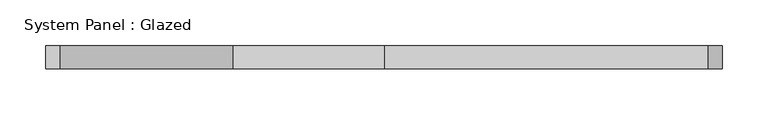
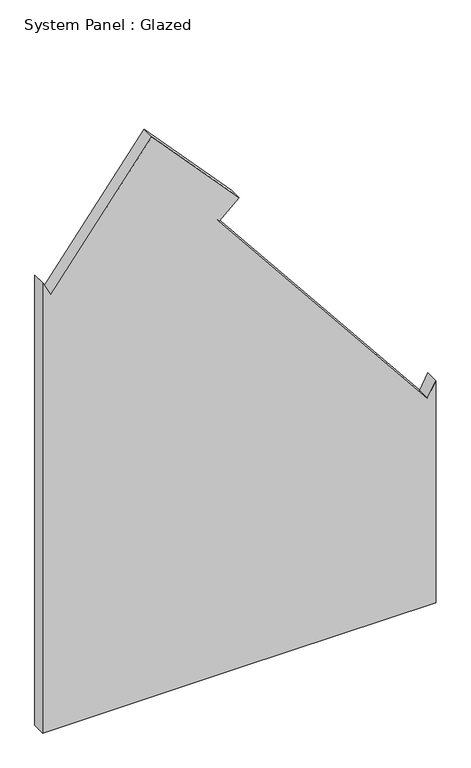
"""IFC4 building model written with IfcOpenShell, lengths in millimetres: plate geometry, System Panel : Glazed."""

from ifc_helpers import new_model, si_unit, point, frame, frame_2d, origin, place, context, project, spatial, polyline, circle_curve, trimmed, segment, composite_curve, outline, extrude, source, transform, mapped, element, save


def system_panel_glazed_afaf1ab7(model_context):
    return source(origin(), model_context, "Body", "SweptSolid", [
        extrude(outline(composite_curve([segment(polyline([(0.0, -368.7735115), (0.0, 0.0), (0.0, 368.7735115), (440.2027414, 368.7735115), (410.9165986, 353.2479413)]), True, "CONTINUOUS"), segment(trimmed(circle_curve(frame_2d((-3276.8533559, -4749.8133021)), 6296.1004829), [point((410.9165986, 353.2479413))], [point((898.58192, -37.4230862))], False, "CARTESIAN"), True, "CONTINUOUS"), segment(polyline([(898.58192, -37.4230862), (931.7408196, 0.0)]), True, "CONTINUOUS"), segment(trimmed(circle_curve(frame_2d((-3276.8533559, -4749.8133021)), 6346.1004829), [point((931.7408196, 0.0))], [point((1110.0783162, -164.203))], False, "CARTESIAN"), True, "CONTINUOUS"), segment(trimmed(circle_curve(frame_2d((-3276.8533559, 5310.3058415)), 7015.3700224), [point((1110.0783162, -164.203))], [point((862.9259623, -353.4070527))], False, "CARTESIAN"), True, "CONTINUOUS"), segment(polyline([(862.9259623, -353.4070527), (892.4310297, -368.7735115), (0.0, -368.7735115)]), True, "CONTINUOUS")], self_intersect=False)), frame((0.0, 24.5, 0.0), z_axis=(0.0, 1.0, 0.0), x_axis=(0.0, 0.0, 1.0)), (0.0, 0.0, 1.0), 25.0),
    ])


if __name__ == "__main__":
    model = new_model("IFC4")
    model_context = context("Model", 3, world=origin())
    ifc_project = project(units=[si_unit("LENGTHUNIT", "METRE", prefix="MILLI")], contexts=[model_context])
    site = spatial("IfcSite", under=ifc_project)
    building = spatial("IfcBuilding", under=site)
    placement = place(None, origin())
    system_panel_glazed_shape = system_panel_glazed_afaf1ab7(model_context)
    element("IfcPlate", 1, ObjectType="System Panel : Glazed", at=placement, inside=building, context=model_context, shape_type="MappedRepresentation", body=[
        mapped(system_panel_glazed_shape, transform((0.0, 0.0, 0.0), x_axis=(1.0, 0.0, 0.0), y_axis=(0.0, 1.0, 0.0), z_axis=(0.0, 0.0, 1.0))),
    ])
    save(model, "model.ifc")
